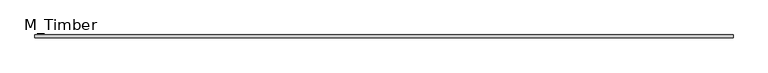
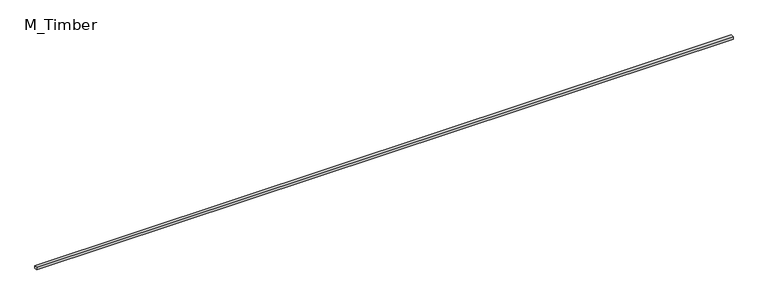
"""IFC4 building model written with IfcOpenShell, lengths in millimetres: beam geometry, M_Timber."""

from ifc_helpers import new_model, si_unit, frame, origin, place, context, project, spatial, polyline, outline, extrude, source, transform, mapped, element, save


def m_timber_b54fc94e(model_context):
    return source(origin(), model_context, "Body", "SweptSolid", [
        extrude(outline(polyline([(4894.1824924, 20.0), (4894.1824924, -20.0), (-4894.1824924, -20.0), (-4894.1824924, 20.0), (4894.1824924, 20.0)])), frame((0.0, 0.0, -20.0), z_axis=(0.0, 0.0, 1.0), x_axis=(1.0, 0.0, 0.0)), (0.0, 0.0, 1.0), 40.0),
    ])


if __name__ == "__main__":
    model = new_model("IFC4")
    model_context = context("Model", 3, world=origin())
    ifc_project = project(units=[si_unit("LENGTHUNIT", "METRE", prefix="MILLI")], contexts=[model_context])
    site = spatial("IfcSite", under=ifc_project)
    building = spatial("IfcBuilding", under=site)
    placement = place(None, origin())
    m_timber_shape = m_timber_b54fc94e(model_context)
    element("IfcBeam", 1, ObjectType="M_Timber", at=placement, inside=building, context=model_context, shape_type="MappedRepresentation", body=[
        mapped(m_timber_shape, transform((0.0, 0.0, 0.0), x_axis=(1.0, 0.0, 0.0), y_axis=(0.0, 1.0, 0.0), z_axis=(0.0, 0.0, 1.0))),
    ])
    save(model, "model.ifc")
